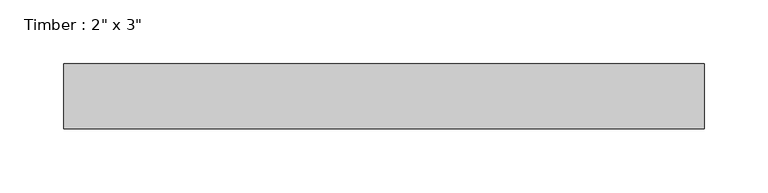
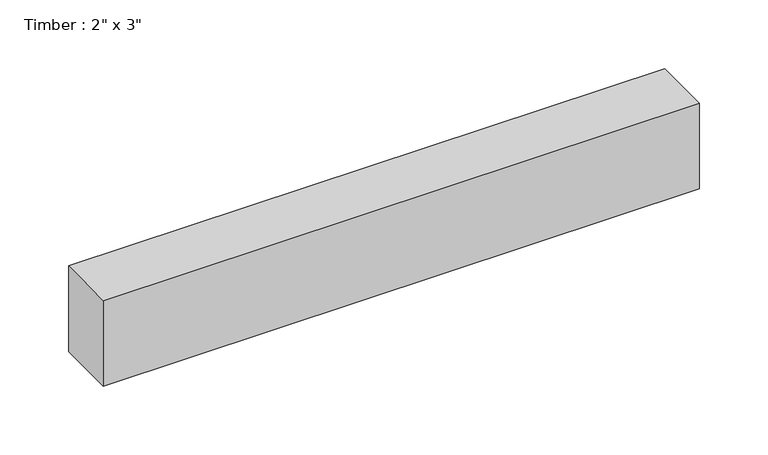
"""IFC4 building model written with IfcOpenShell, lengths in millimetres: beam geometry."""

from ifc_helpers import new_model, si_unit, frame, origin, place, context, project, spatial, polyline, outline, extrude, source, transform, mapped, element, save


def beam_29fb00e5(model_context):
    return source(origin(), model_context, "Body", "SweptSolid", [
        extrude(outline(polyline([(250.8249521, -25.4), (-250.8249521, -25.4), (-250.8249521, 25.4), (250.8249521, 25.4), (250.8249521, -25.4)])), frame((0.0, 0.0, -38.1), z_axis=(0.0, 0.0, 1.0), x_axis=(1.0, 0.0, 0.0)), (0.0, 0.0, 1.0), 76.2),
    ])


if __name__ == "__main__":
    model = new_model("IFC4")
    model_context = context("Model", 3, world=origin())
    ifc_project = project(units=[si_unit("LENGTHUNIT", "METRE", prefix="MILLI")], contexts=[model_context])
    site = spatial("IfcSite", under=ifc_project)
    building = spatial("IfcBuilding", under=site)
    placement = place(None, origin())
    beam_shape = beam_29fb00e5(model_context)
    element("IfcBeam", 1, ObjectType="Timber : 2\" x 3\"", at=placement, inside=building, context=model_context, shape_type="MappedRepresentation", body=[
        mapped(beam_shape, transform((0.0, 0.0, 0.0), x_axis=(1.0, 0.0, 0.0), y_axis=(0.0, 1.0, 0.0), z_axis=(0.0, 0.0, 1.0))),
    ])
    save(model, "model.ifc")
